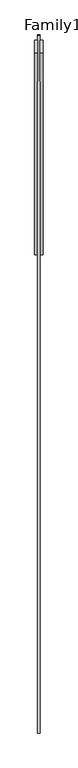
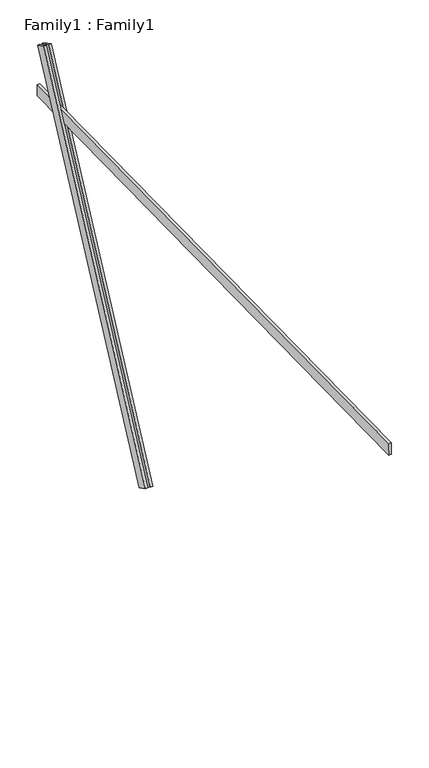
"""IFC4 building model written with IfcOpenShell, lengths in millimetres: proxy geometry, Family1 : Family1."""

from ifc_helpers import new_model, si_unit, frame, origin, place, context, project, spatial, polyline, outline, extrude, source, transform, mapped, element, save


def family1_family1_60580283(model_context):
    return source(origin(), model_context, "Body", "SweptSolid", [
        extrude(outline(polyline([(0.0, 0.0), (0.0, -20.0), (-100.0000001, -20.0), (-100.0000001, 0.0), (0.0, 0.0)])), frame((-30.0, 46.3241747, -22.5938096), z_axis=(0.0, 0.4383711467890692, 0.8987940462991711), x_axis=(0.0, 0.8987940462991711, -0.4383711467890692)), (0.0, 0.0, 1.0), 3300.0),
        extrude(outline(polyline([(0.0, 0.0), (0.0, -20.0), (-99.9999999, -20.0), (-99.9999999, 0.0), (0.0, 0.0)])), frame((10.0, 45.270232, -22.0797674), z_axis=(0.0, 0.4383711467890692, 0.8987940462991711), x_axis=(0.0, 0.8987940462991711, -0.4383711467890692)), (0.0, 0.0, 1.0), 3300.0),
        extrude(outline(polyline([(0.0, -20.0), (0.0, 0.0), (5000.0, 0.0), (5000.0, -20.0), (0.0, -20.0)])), frame((-10.0, -3469.2350548, 2384.634959), z_axis=(0.0, -0.01745240643728091, 0.9998476951563914), x_axis=(0.0, 0.9998476951563914, 0.01745240643728091)), (0.0, 0.0, 1.0), 100.0),
    ])


if __name__ == "__main__":
    model = new_model("IFC4")
    model_context = context("Model", 3, world=origin())
    ifc_project = project(units=[si_unit("LENGTHUNIT", "METRE", prefix="MILLI")], contexts=[model_context])
    site = spatial("IfcSite", under=ifc_project)
    building = spatial("IfcBuilding", under=site)
    placement = place(None, origin())
    family1_family1_shape = family1_family1_60580283(model_context)
    element("IfcBuildingElementProxy", 1, Name="Family1 : Family1", ObjectType="Family1 : Family1", at=placement, inside=building, context=model_context, shape_type="MappedRepresentation", body=[
        mapped(family1_family1_shape, transform((0.0, 0.0, 0.0), x_axis=(1.0, 0.0, 0.0), y_axis=(0.0, 1.0, 0.0), z_axis=(0.0, 0.0, 1.0))),
    ])
    save(model, "model.ifc")
